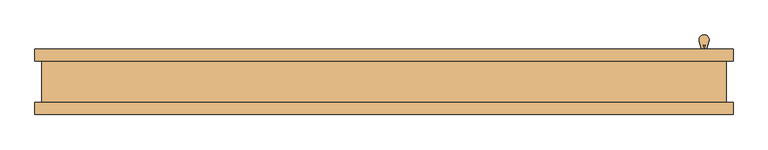
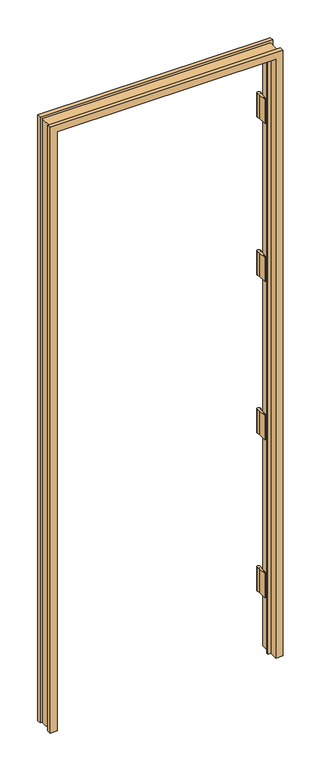
"""IFC4 building model written with IfcOpenShell, lengths in millimetres: door geometry."""

from ifc_helpers import new_model, si_unit, point, frame, frame_2d, origin, place, context, project, spatial, polyline, circle_curve, trimmed, segment, composite_curve, outline, extrude, faceted_brep, source, transform, mapped, element, save


def door_8ad0a44f(model_context):
    return source(origin(), model_context, "Body", "SolidModel", [
        faceted_brep([(-498.6782, 50.0254003, 0.0), (-498.6782, -2.5906997, 0.0), (-485.7242, -2.5906997, 0.0), (-485.7242, -10.8710997, 0.0), (-498.6782, -10.8710997, 0.0), (-498.6782, -50.0254003, 0.0), (-531.3172, -50.0254003, 0.0), (-531.3172, -31.4833003, 0.0), (-520.7, -31.4833003, 0.0), (-520.7, 31.4833003, 0.0), (-531.3172, 31.4833003, 0.0), (-531.3172, 50.0254003, 0.0), (498.6782, 50.0254003, 0.0), (531.3172, 50.0254003, 0.0), (531.3172, 31.4833003, 0.0), (520.7, 31.4833003, 0.0), (520.7, -31.4833003, 0.0), (531.3172, -31.4833003, 0.0), (531.3172, -50.0254003, 0.0), (498.6782, -50.0254003, 0.0), (498.6782, -10.8710997, 0.0), (485.7242, -10.8710997, 0.0), (485.7242, -2.5906997, 0.0), (498.6782, -2.5906997, 0.0), (-498.6782, 50.0254003, 2887.9725997), (-498.6782, -2.5906997, 2887.9725997), (498.6782, -2.5906997, 2887.9725997), (485.7242, -2.5906997, 2875.0185997), (-485.7242, -2.5906997, 2875.0185997), (-485.7242, -10.8710997, 2875.0185997), (485.7242, -10.8710997, 2875.0185997), (498.6782, -10.8710997, 2887.9725997), (-498.6782, -10.8710997, 2887.9725997), (-498.6782, -50.0254003, 2887.9725997), (498.6782, -50.0254003, 2887.9725997), (531.3172, -50.0254003, 2920.6115997), (-531.3172, -50.0254003, 2920.6115997), (-531.3172, -31.4833003, 2920.6115997), (531.3172, -31.4833003, 2920.6115997), (520.7, -31.4833003, 2909.9943997), (-520.7, -31.4833003, 2909.9943997), (-520.7, 31.4833003, 2909.9943997), (520.7, 31.4833003, 2909.9943997), (531.3172, 31.4833003, 2920.6115997), (-531.3172, 31.4833003, 2920.6115997), (-531.3172, 50.0254003, 2920.6115997), (531.3172, 50.0254003, 2920.6115997), (498.6782, 50.0254003, 2887.9725997)], [[[0, 1, 2, 3, 4, 5, 6, 7, 8, 9, 10, 11]], [[12, 13, 14, 15, 16, 17, 18, 19, 20, 21, 22, 23]], [[1, 0, 24, 25]], [[2, 1, 25, 26, 23, 22, 27, 28]], [[3, 2, 28, 29]], [[4, 3, 29, 30, 21, 20, 31, 32]], [[5, 4, 32, 33]], [[6, 5, 33, 34, 19, 18, 35, 36]], [[7, 6, 36, 37]], [[8, 7, 37, 38, 17, 16, 39, 40]], [[9, 8, 40, 41]], [[10, 9, 41, 42, 15, 14, 43, 44]], [[11, 10, 44, 45]], [[0, 11, 45, 46, 13, 12, 47, 24]], [[25, 24, 47, 26]], [[29, 28, 27, 30]], [[33, 32, 31, 34]], [[37, 36, 35, 38]], [[41, 40, 39, 42]], [[45, 44, 43, 46]], [[26, 47, 12, 23]], [[30, 27, 22, 21]], [[34, 31, 20, 19]], [[38, 35, 18, 17]], [[42, 39, 16, 15]], [[46, 43, 14, 13]]]),
        extrude(outline(composite_curve([segment(polyline([(483.0699, 51.4224003), (479.9105892, 61.9052592)]), True, "CONTINUOUS"), segment(trimmed(circle_curve(frame_2d((487.26725, 64.1224003)), 7.6835), [point((479.9105892, 61.9052592))], [point((494.6239108, 61.9052592))], False, "CARTESIAN"), True, "CONTINUOUS"), segment(polyline([(494.6239108, 61.9052592), (491.4646, 51.4224003), (491.4646, 10.1474003), (488.061, 10.1474003), (488.061, 51.9241411), (489.5237659, 56.7777214)]), True, "CONTINUOUS"), segment(trimmed(circle_curve(frame_2d((487.26725, 64.1224003)), 7.6835), [point((489.5237659, 56.7777214))], [point((485.0107341, 56.7777214))], False, "CARTESIAN"), True, "CONTINUOUS"), segment(polyline([(485.0107341, 56.7777214), (486.4735, 51.9241411), (486.4735, 10.1474003), (483.0699, 10.1474003), (483.0699, 51.4224003)]), True, "CONTINUOUS")], self_intersect=False)), frame((0.0, 0.0, 1023.9630692), z_axis=(0.0, 0.0, 1.0), x_axis=(1.0, 0.0, 0.0)), (0.0, 0.0, 1.0), 114.3),
        extrude(outline(composite_curve([segment(polyline([(483.0699, 51.4224003), (479.9105892, 61.9052592)]), True, "CONTINUOUS"), segment(trimmed(circle_curve(frame_2d((487.26725, 64.1224003)), 7.6835), [point((479.9105892, 61.9052592))], [point((494.6239108, 61.9052592))], False, "CARTESIAN"), True, "CONTINUOUS"), segment(polyline([(494.6239108, 61.9052592), (491.4646, 51.4224003), (491.4646, 10.1474003), (488.061, 10.1474003), (488.061, 51.9241411), (489.5237659, 56.7777214)]), True, "CONTINUOUS"), segment(trimmed(circle_curve(frame_2d((487.26725, 64.1224003)), 7.6835), [point((489.5237659, 56.7777214))], [point((485.0107341, 56.7777214))], False, "CARTESIAN"), True, "CONTINUOUS"), segment(polyline([(485.0107341, 56.7777214), (486.4735, 51.9241411), (486.4735, 10.1474003), (483.0699, 10.1474003), (483.0699, 51.4224003)]), True, "CONTINUOUS")], self_intersect=False)), frame((0.0, 0.0, 1785.9336096), z_axis=(0.0, 0.0, 1.0), x_axis=(1.0, 0.0, 0.0)), (0.0, 0.0, 1.0), 114.3),
        extrude(outline(composite_curve([segment(polyline([(483.0699, 51.4224003), (479.9105892, 61.9052592)]), True, "CONTINUOUS"), segment(trimmed(circle_curve(frame_2d((487.26725, 64.1224003)), 7.6835), [point((479.9105892, 61.9052592))], [point((494.6239108, 61.9052592))], False, "CARTESIAN"), True, "CONTINUOUS"), segment(polyline([(494.6239108, 61.9052592), (491.4646, 51.4224003), (491.4646, 10.1474003), (488.061, 10.1474003), (488.061, 51.9241411), (489.5237659, 56.7777214)]), True, "CONTINUOUS"), segment(trimmed(circle_curve(frame_2d((487.26725, 64.1224003)), 7.6835), [point((489.5237659, 56.7777214))], [point((485.0107341, 56.7777214))], False, "CARTESIAN"), True, "CONTINUOUS"), segment(polyline([(485.0107341, 56.7777214), (486.4735, 51.9241411), (486.4735, 10.1474003), (483.0699, 10.1474003), (483.0699, 51.4224003)]), True, "CONTINUOUS")], self_intersect=False)), frame((0.0, 0.0, 261.90585), z_axis=(0.0, 0.0, 1.0), x_axis=(1.0, 0.0, 0.0)), (0.0, 0.0, 1.0), 114.3),
        extrude(outline(composite_curve([segment(polyline([(483.0699, 51.4224003), (479.9105892, 61.9052592)]), True, "CONTINUOUS"), segment(trimmed(circle_curve(frame_2d((487.26725, 64.1224003)), 7.6835), [point((479.9105892, 61.9052592))], [point((494.6239108, 61.9052592))], False, "CARTESIAN"), True, "CONTINUOUS"), segment(polyline([(494.6239108, 61.9052592), (491.4646, 51.4224003), (491.4646, 10.1474003), (488.061, 10.1474003), (488.061, 51.9241411), (489.5237659, 56.7777214)]), True, "CONTINUOUS"), segment(trimmed(circle_curve(frame_2d((487.26725, 64.1224003)), 7.6835), [point((489.5237659, 56.7777214))], [point((485.0107341, 56.7777214))], False, "CARTESIAN"), True, "CONTINUOUS"), segment(polyline([(485.0107341, 56.7777214), (486.4735, 51.9241411), (486.4735, 10.1474003), (483.0699, 10.1474003), (483.0699, 51.4224003)]), True, "CONTINUOUS")], self_intersect=False)), frame((0.0, 0.0, 2547.9756), z_axis=(0.0, 0.0, 1.0), x_axis=(1.0, 0.0, 0.0)), (0.0, 0.0, 1.0), 114.3),
    ])


if __name__ == "__main__":
    model = new_model("IFC4")
    model_context = context("Model", 3, world=origin())
    ifc_project = project(units=[si_unit("LENGTHUNIT", "METRE", prefix="MILLI")], contexts=[model_context])
    site = spatial("IfcSite", under=ifc_project)
    building = spatial("IfcBuilding", under=site)
    placement = place(None, origin())
    door_shape = door_8ad0a44f(model_context)
    element("IfcDoor", 1, at=placement, inside=building, context=model_context, shape_type="MappedRepresentation", body=[
        mapped(door_shape, transform((0.0, 0.0, 0.0), x_axis=(1.0, 0.0, 0.0), y_axis=(0.0, 1.0, 0.0), z_axis=(0.0, 0.0, 1.0))),
    ])
    save(model, "model.ifc")
